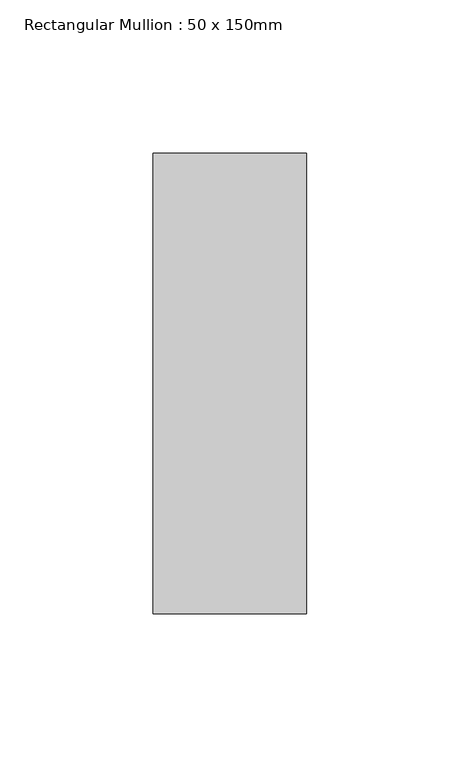
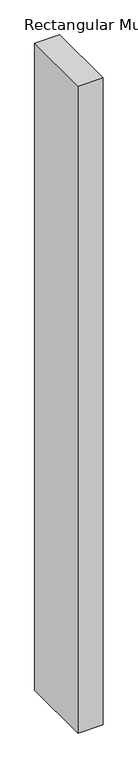
"""IFC4 building model written with IfcOpenShell, lengths in millimetres: member geometry, Rectangular Mullion : 50 x 150mm."""

import ifcopenshell
import ifcopenshell.guid

model = None  # the IFC model being written
_history = None  # IfcOwnerHistory: only IFC2X3 demands one
_inside = {}  # id of a spatial element -> (the spatial element, [elements in it])
_under = {}  # id of a project, library or spatial element -> (it, [spatial elements below it])
_declared = {}  # id of a project -> (the project, [libraries it declares])
_typed = {}  # id of a type object -> (the type object, [elements of that type])
_made_of = {}  # id of a material, layer set ... -> (it, [elements and type objects made of it])


def new_model(schema):
    """Start an empty IFC model of exactly this schema.

    Asked for "IFC4X3", IfcOpenShell would pick the latest addendum, in which some entities
    have other attributes; the version numbers below select the first issue.
    IFC2X3 requires an IfcOwnerHistory on every rooted entity: one is made here for all.
    """
    global model, _history
    if schema == "IFC4X3":
        model = ifcopenshell.file(schema_version=(4, 3, 0, 0))
    else:
        model = ifcopenshell.file(schema=schema)
    _inside.clear()
    _under.clear()
    _declared.clear()
    _typed.clear()
    _made_of.clear()
    _history = None
    if model.schema == "IFC2X3":
        org = make("IfcOrganization", Name="unknown")
        user = make(
            "IfcPersonAndOrganization",
            ThePerson=make("IfcPerson", FamilyName="unknown"),
            TheOrganization=org,
        )
        app = make(
            "IfcApplication",
            ApplicationDeveloper=org,
            Version="unknown",
            ApplicationFullName="unknown",
            ApplicationIdentifier="unknown",
        )
        _history = make(
            "IfcOwnerHistory",
            OwningUser=user,
            OwningApplication=app,
            ChangeAction="ADDED",
            CreationDate=0,
        )
    return model


def make(cls, **values):
    """One entity of the class cls with the attributes given. An attribute that is None is left unset."""
    return model.create_entity(
        cls, **{name: value for name, value in values.items() if value is not None}
    )


def rooted(cls, **values):
    """An entity with a GlobalId (a new one), such as an element, a storey or a relation."""
    return make(cls, GlobalId=ifcopenshell.guid.new(), OwnerHistory=_history, **values)


def si_unit(unit_type, name, prefix=None):
    """IfcSIUnit, for example si_unit("LENGTHUNIT", "METRE", prefix="MILLI")."""
    return make("IfcSIUnit", UnitType=unit_type, Prefix=prefix, Name=name)


def assignment(units):
    """IfcUnitAssignment: the units of a project."""
    return None if units is None else make("IfcUnitAssignment", Units=units)


def point(xyz):
    """IfcCartesianPoint."""
    return None if xyz is None else make("IfcCartesianPoint", Coordinates=xyz)


def direction(xyz):
    """IfcDirection."""
    return None if xyz is None else make("IfcDirection", DirectionRatios=xyz)


def frame(location, z_axis=None, x_axis=None):
    """IfcAxis2Placement3D, a coordinate frame: its origin and axes. An axis left out is left unset."""
    return make(
        "IfcAxis2Placement3D",
        Location=point(location),
        Axis=direction(z_axis),
        RefDirection=direction(x_axis),
    )


def origin():
    """The frame at (0, 0, 0) with its axes left unset."""
    return frame((0.0, 0.0, 0.0))


def place(relative_to, where):
    """IfcLocalPlacement: puts the frame where relative to a parent placement (None: the world)."""
    return make(
        "IfcLocalPlacement", PlacementRelTo=relative_to, RelativePlacement=where
    )


def context(
    kind, dimensions, precision=None, world=None, true_north=None, identifier=None
):
    """IfcGeometricRepresentationContext, for example the 3D "Model" context."""
    return make(
        "IfcGeometricRepresentationContext",
        ContextIdentifier=identifier,
        ContextType=kind,
        CoordinateSpaceDimension=dimensions,
        Precision=precision,
        WorldCoordinateSystem=world,
        TrueNorth=true_north,
    )


def project(units=None, contexts=None):
    """IfcProject with its units and contexts."""
    return rooted(
        "IfcProject",
        Name="project",
        RepresentationContexts=contexts,
        UnitsInContext=assignment(units),
    )


def spatial(cls, under=None, at=None, **own):
    """A site, building, storey or space (cls), placed at a placement, below another one or the project."""
    s = rooted(cls, ObjectPlacement=at, **own)
    if under is not None:
        _under.setdefault(under.id(), (under, []))[1].append(s)
    return s


def polyline(points):
    """IfcPolyline through the points."""
    return make("IfcPolyline", Points=[point(p) for p in points])


def outline(outer, holes=None, kind="AREA"):
    """IfcArbitraryClosedProfileDef: a profile drawn as a closed curve; with holes, ...WithVoids."""
    if holes is None:
        return make("IfcArbitraryClosedProfileDef", ProfileType=kind, OuterCurve=outer)
    return make(
        "IfcArbitraryProfileDefWithVoids",
        ProfileType=kind,
        OuterCurve=outer,
        InnerCurves=holes,
    )


def extrude(swept, where, along, depth):
    """IfcExtrudedAreaSolid: the profile swept, set in the frame where, extruded along a direction by depth."""
    return make(
        "IfcExtrudedAreaSolid",
        SweptArea=swept,
        Position=where,
        ExtrudedDirection=direction(along),
        Depth=depth,
    )


def shape(context_of_items, identifier, shape_type, items):
    """IfcShapeRepresentation: the items that make up one representation, for example the "Body"."""
    return make(
        "IfcShapeRepresentation",
        ContextOfItems=context_of_items,
        RepresentationIdentifier=identifier,
        RepresentationType=shape_type,
        Items=items,
    )


def source(mapping_origin, context_of_items, identifier, shape_type, items):
    """IfcRepresentationMap: a shape defined once, which mapped items show again and again."""
    return make(
        "IfcRepresentationMap",
        MappingOrigin=mapping_origin,
        MappedRepresentation=shape(context_of_items, identifier, shape_type, items),
    )


def transform(
    local_origin,
    x_axis=None,
    y_axis=None,
    z_axis=None,
    scale=None,
    scale2=None,
    scale3=None,
    uniform=True,
):
    """IfcCartesianTransformationOperator3D, or its non-uniform kind. x_axis, y_axis, z_axis: its Axis1, 2, 3."""
    if uniform:
        return make(
            "IfcCartesianTransformationOperator3D",
            Axis1=direction(x_axis),
            Axis2=direction(y_axis),
            LocalOrigin=point(local_origin),
            Scale=scale,
            Axis3=direction(z_axis),
        )
    return make(
        "IfcCartesianTransformationOperator3DnonUniform",
        Axis1=direction(x_axis),
        Axis2=direction(y_axis),
        LocalOrigin=point(local_origin),
        Scale=scale,
        Axis3=direction(z_axis),
        Scale2=scale2,
        Scale3=scale3,
    )


def mapped(mapping_source, mapping_target):
    """IfcMappedItem: shows the shape of a source again, moved by a transform."""
    return make(
        "IfcMappedItem", MappingSource=mapping_source, MappingTarget=mapping_target
    )


def made_of(thing, what):
    """Note that an element or type object is made of a material, layer set ...; save() writes the relation."""
    if what is not None:
        _made_of.setdefault(what.id(), (what, []))[1].append(thing)
    return thing


def element(
    cls,
    number,
    at=None,
    inside=None,
    cuts=None,
    type_object=None,
    material=None,
    context=None,
    identifier="Body",
    shape_type=None,
    held_by="IfcProductDefinitionShape",
    body=None,
    shapes=None,
    **own,
):
    """One element of the class cls, such as IfcWall. Its Tag is "e" and its number.

    at: its placement. inside: the storey or other place that contains it. cuts: it is an
    opening in that element (IfcRelVoidsElement). A single representation is given by context,
    identifier, shape_type and body (its items); several are given by shapes. held_by: the class
    of the entity that holds the representations. save() writes the other relations.
    """
    e = rooted(cls, Tag="e%d" % number, ObjectPlacement=at, **own)
    if body is not None:
        shapes = [shape(context, identifier, shape_type, body)]
    if shapes is not None:
        e.Representation = make(held_by, Representations=shapes)
    if inside is not None:
        _inside.setdefault(inside.id(), (inside, []))[1].append(e)
    if cuts is not None:
        rooted(
            "IfcRelVoidsElement", RelatingBuildingElement=cuts, RelatedOpeningElement=e
        )
    if type_object is not None:
        _typed.setdefault(type_object.id(), (type_object, []))[1].append(e)
    return made_of(e, material)


def aggregate(whole, parts):
    """IfcRelAggregates: a whole, such as a stair, and the parts it consists of."""
    return rooted("IfcRelAggregates", RelatingObject=whole, RelatedObjects=parts)


def save(model, path):
    """Write the relations noted so far, then the file.

    IfcRelAggregates (storeys below a building ...), IfcRelContainedInSpatialStructure (elements
    in a storey), IfcRelDefinesByType, IfcRelAssociatesMaterial and IfcRelDeclares: one each for
    every whole, place, type object, material and project.
    """
    for whole, parts in _under.values():
        aggregate(whole, parts)
    for where, things in _inside.values():
        rooted(
            "IfcRelContainedInSpatialStructure",
            RelatedElements=things,
            RelatingStructure=where,
        )
    for kind, things in _typed.values():
        rooted("IfcRelDefinesByType", RelatedObjects=things, RelatingType=kind)
    for what, things in _made_of.values():
        rooted("IfcRelAssociatesMaterial", RelatedObjects=things, RelatingMaterial=what)
    for by, libraries in _declared.values():
        rooted("IfcRelDeclares", RelatingContext=by, RelatedDefinitions=libraries)
    model.write(path)


def rectangular_mullion_50_x_150mm_cf391276(model_context):
    return source(origin(), model_context, "Body", "SweptSolid", [
        extrude(outline(polyline([(0.0, 75.0), (0.0, -75.0), (-50.0, -75.0), (-50.0, 75.0), (0.0, 75.0)])), frame((0.0, 0.0, -1369.4556665), z_axis=(0.0, 0.0, 1.0), x_axis=(1.0, 0.0, 0.0)), (0.0, 0.0, 1.0), 1369.4556665),
    ])


if __name__ == "__main__":
    model = new_model("IFC4")
    model_context = context("Model", 3, world=origin())
    ifc_project = project(units=[si_unit("LENGTHUNIT", "METRE", prefix="MILLI")], contexts=[model_context])
    site = spatial("IfcSite", under=ifc_project)
    building = spatial("IfcBuilding", under=site)
    placement = place(None, origin())
    rectangular_mullion_50_x_150mm_shape = rectangular_mullion_50_x_150mm_cf391276(model_context)
    element("IfcMember", 1, ObjectType="Rectangular Mullion : 50 x 150mm", at=placement, inside=building, context=model_context, shape_type="MappedRepresentation", body=[
        mapped(rectangular_mullion_50_x_150mm_shape, transform((0.0, 0.0, 0.0), x_axis=(1.0, 0.0, 0.0), y_axis=(0.0, 1.0, 0.0), z_axis=(0.0, 0.0, 1.0))),
    ])
    save(model, "model.ifc")
